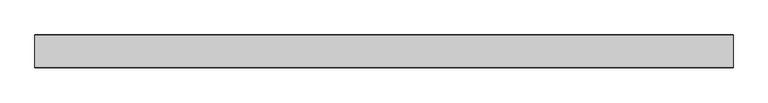
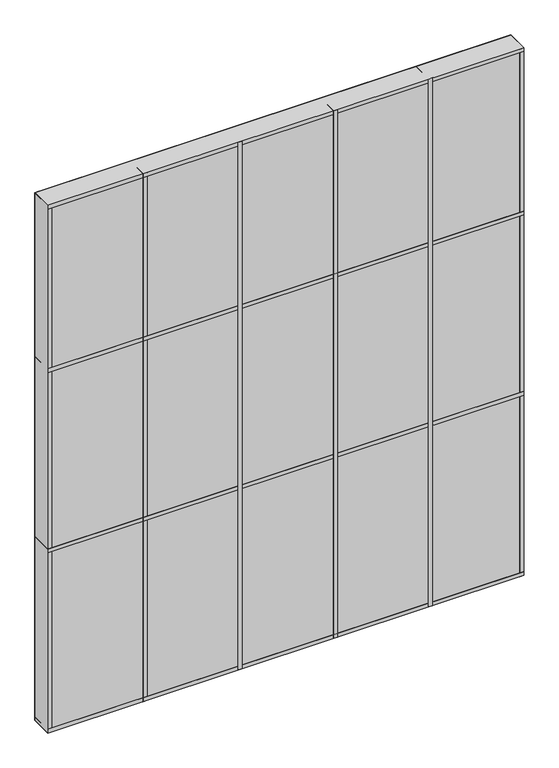
"""IFC4 building model written with IfcOpenShell, lengths in millimetres: plate geometry."""

import ifcopenshell
import ifcopenshell.guid

model = None  # the IFC model being written
_history = None  # IfcOwnerHistory: only IFC2X3 demands one
_inside = {}  # id of a spatial element -> (the spatial element, [elements in it])
_under = {}  # id of a project, library or spatial element -> (it, [spatial elements below it])
_declared = {}  # id of a project -> (the project, [libraries it declares])
_typed = {}  # id of a type object -> (the type object, [elements of that type])
_made_of = {}  # id of a material, layer set ... -> (it, [elements and type objects made of it])


def new_model(schema):
    """Start an empty IFC model of exactly this schema.

    Asked for "IFC4X3", IfcOpenShell would pick the latest addendum, in which some entities
    have other attributes; the version numbers below select the first issue.
    IFC2X3 requires an IfcOwnerHistory on every rooted entity: one is made here for all.
    """
    global model, _history
    if schema == "IFC4X3":
        model = ifcopenshell.file(schema_version=(4, 3, 0, 0))
    else:
        model = ifcopenshell.file(schema=schema)
    _inside.clear()
    _under.clear()
    _declared.clear()
    _typed.clear()
    _made_of.clear()
    _history = None
    if model.schema == "IFC2X3":
        org = make("IfcOrganization", Name="unknown")
        user = make(
            "IfcPersonAndOrganization",
            ThePerson=make("IfcPerson", FamilyName="unknown"),
            TheOrganization=org,
        )
        app = make(
            "IfcApplication",
            ApplicationDeveloper=org,
            Version="unknown",
            ApplicationFullName="unknown",
            ApplicationIdentifier="unknown",
        )
        _history = make(
            "IfcOwnerHistory",
            OwningUser=user,
            OwningApplication=app,
            ChangeAction="ADDED",
            CreationDate=0,
        )
    return model


def make(cls, **values):
    """One entity of the class cls with the attributes given. An attribute that is None is left unset."""
    return model.create_entity(
        cls, **{name: value for name, value in values.items() if value is not None}
    )


def rooted(cls, **values):
    """An entity with a GlobalId (a new one), such as an element, a storey or a relation."""
    return make(cls, GlobalId=ifcopenshell.guid.new(), OwnerHistory=_history, **values)


def si_unit(unit_type, name, prefix=None):
    """IfcSIUnit, for example si_unit("LENGTHUNIT", "METRE", prefix="MILLI")."""
    return make("IfcSIUnit", UnitType=unit_type, Prefix=prefix, Name=name)


def assignment(units):
    """IfcUnitAssignment: the units of a project."""
    return None if units is None else make("IfcUnitAssignment", Units=units)


def point(xyz):
    """IfcCartesianPoint."""
    return None if xyz is None else make("IfcCartesianPoint", Coordinates=xyz)


def direction(xyz):
    """IfcDirection."""
    return None if xyz is None else make("IfcDirection", DirectionRatios=xyz)


def frame(location, z_axis=None, x_axis=None):
    """IfcAxis2Placement3D, a coordinate frame: its origin and axes. An axis left out is left unset."""
    return make(
        "IfcAxis2Placement3D",
        Location=point(location),
        Axis=direction(z_axis),
        RefDirection=direction(x_axis),
    )


def origin():
    """The frame at (0, 0, 0) with its axes left unset."""
    return frame((0.0, 0.0, 0.0))


def origin_with_axes():
    """The frame at (0, 0, 0) with the z axis (0, 0, 1) and the x axis (1, 0, 0) written out."""
    return frame((0.0, 0.0, 0.0), z_axis=(0.0, 0.0, 1.0), x_axis=(1.0, 0.0, 0.0))


def place(relative_to, where):
    """IfcLocalPlacement: puts the frame where relative to a parent placement (None: the world)."""
    return make(
        "IfcLocalPlacement", PlacementRelTo=relative_to, RelativePlacement=where
    )


def context(
    kind, dimensions, precision=None, world=None, true_north=None, identifier=None
):
    """IfcGeometricRepresentationContext, for example the 3D "Model" context."""
    return make(
        "IfcGeometricRepresentationContext",
        ContextIdentifier=identifier,
        ContextType=kind,
        CoordinateSpaceDimension=dimensions,
        Precision=precision,
        WorldCoordinateSystem=world,
        TrueNorth=true_north,
    )


def project(units=None, contexts=None):
    """IfcProject with its units and contexts."""
    return rooted(
        "IfcProject",
        Name="project",
        RepresentationContexts=contexts,
        UnitsInContext=assignment(units),
    )


def spatial(cls, under=None, at=None, **own):
    """A site, building, storey or space (cls), placed at a placement, below another one or the project."""
    s = rooted(cls, ObjectPlacement=at, **own)
    if under is not None:
        _under.setdefault(under.id(), (under, []))[1].append(s)
    return s


def polyline(points):
    """IfcPolyline through the points."""
    return make("IfcPolyline", Points=[point(p) for p in points])


def outline(outer, holes=None, kind="AREA"):
    """IfcArbitraryClosedProfileDef: a profile drawn as a closed curve; with holes, ...WithVoids."""
    if holes is None:
        return make("IfcArbitraryClosedProfileDef", ProfileType=kind, OuterCurve=outer)
    return make(
        "IfcArbitraryProfileDefWithVoids",
        ProfileType=kind,
        OuterCurve=outer,
        InnerCurves=holes,
    )


def extrude(swept, where, along, depth):
    """IfcExtrudedAreaSolid: the profile swept, set in the frame where, extruded along a direction by depth."""
    return make(
        "IfcExtrudedAreaSolid",
        SweptArea=swept,
        Position=where,
        ExtrudedDirection=direction(along),
        Depth=depth,
    )


def shape(context_of_items, identifier, shape_type, items):
    """IfcShapeRepresentation: the items that make up one representation, for example the "Body"."""
    return make(
        "IfcShapeRepresentation",
        ContextOfItems=context_of_items,
        RepresentationIdentifier=identifier,
        RepresentationType=shape_type,
        Items=items,
    )


def source(mapping_origin, context_of_items, identifier, shape_type, items):
    """IfcRepresentationMap: a shape defined once, which mapped items show again and again."""
    return make(
        "IfcRepresentationMap",
        MappingOrigin=mapping_origin,
        MappedRepresentation=shape(context_of_items, identifier, shape_type, items),
    )


def transform(
    local_origin,
    x_axis=None,
    y_axis=None,
    z_axis=None,
    scale=None,
    scale2=None,
    scale3=None,
    uniform=True,
):
    """IfcCartesianTransformationOperator3D, or its non-uniform kind. x_axis, y_axis, z_axis: its Axis1, 2, 3."""
    if uniform:
        return make(
            "IfcCartesianTransformationOperator3D",
            Axis1=direction(x_axis),
            Axis2=direction(y_axis),
            LocalOrigin=point(local_origin),
            Scale=scale,
            Axis3=direction(z_axis),
        )
    return make(
        "IfcCartesianTransformationOperator3DnonUniform",
        Axis1=direction(x_axis),
        Axis2=direction(y_axis),
        LocalOrigin=point(local_origin),
        Scale=scale,
        Axis3=direction(z_axis),
        Scale2=scale2,
        Scale3=scale3,
    )


def mapped(mapping_source, mapping_target):
    """IfcMappedItem: shows the shape of a source again, moved by a transform."""
    return make(
        "IfcMappedItem", MappingSource=mapping_source, MappingTarget=mapping_target
    )


def made_of(thing, what):
    """Note that an element or type object is made of a material, layer set ...; save() writes the relation."""
    if what is not None:
        _made_of.setdefault(what.id(), (what, []))[1].append(thing)
    return thing


def element(
    cls,
    number,
    at=None,
    inside=None,
    cuts=None,
    type_object=None,
    material=None,
    context=None,
    identifier="Body",
    shape_type=None,
    held_by="IfcProductDefinitionShape",
    body=None,
    shapes=None,
    **own,
):
    """One element of the class cls, such as IfcWall. Its Tag is "e" and its number.

    at: its placement. inside: the storey or other place that contains it. cuts: it is an
    opening in that element (IfcRelVoidsElement). A single representation is given by context,
    identifier, shape_type and body (its items); several are given by shapes. held_by: the class
    of the entity that holds the representations. save() writes the other relations.
    """
    e = rooted(cls, Tag="e%d" % number, ObjectPlacement=at, **own)
    if body is not None:
        shapes = [shape(context, identifier, shape_type, body)]
    if shapes is not None:
        e.Representation = make(held_by, Representations=shapes)
    if inside is not None:
        _inside.setdefault(inside.id(), (inside, []))[1].append(e)
    if cuts is not None:
        rooted(
            "IfcRelVoidsElement", RelatingBuildingElement=cuts, RelatedOpeningElement=e
        )
    if type_object is not None:
        _typed.setdefault(type_object.id(), (type_object, []))[1].append(e)
    return made_of(e, material)


def aggregate(whole, parts):
    """IfcRelAggregates: a whole, such as a stair, and the parts it consists of."""
    return rooted("IfcRelAggregates", RelatingObject=whole, RelatedObjects=parts)


def save(model, path):
    """Write the relations noted so far, then the file.

    IfcRelAggregates (storeys below a building ...), IfcRelContainedInSpatialStructure (elements
    in a storey), IfcRelDefinesByType, IfcRelAssociatesMaterial and IfcRelDeclares: one each for
    every whole, place, type object, material and project.
    """
    for whole, parts in _under.values():
        aggregate(whole, parts)
    for where, things in _inside.values():
        rooted(
            "IfcRelContainedInSpatialStructure",
            RelatedElements=things,
            RelatingStructure=where,
        )
    for kind, things in _typed.values():
        rooted("IfcRelDefinesByType", RelatedObjects=things, RelatingType=kind)
    for what, things in _made_of.values():
        rooted("IfcRelAssociatesMaterial", RelatedObjects=things, RelatingMaterial=what)
    for by, libraries in _declared.values():
        rooted("IfcRelDeclares", RelatingContext=by, RelatedDefinitions=libraries)
    model.write(path)


def plate_5a19bec1(model_context):
    return source(origin(), model_context, "Body", "SweptSolid", [
        extrude(outline(polyline([(762.0, 34.925), (762.0, -34.925), (-762.0, -34.925), (-762.0, 34.925), (762.0, 34.925)])), origin_with_axes(), (0.0, 0.0, 1.0), 1784.35),
        extrude(outline(polyline([(469.9, 35.71875), (469.9, -35.71875), (457.2, -35.71875), (457.2, 35.71875), (469.9, 35.71875)])), origin_with_axes(), (0.0, 0.0, 1.0), 1784.35),
        extrude(outline(polyline([(165.1, 35.71875), (165.1, -35.71875), (152.4, -35.71875), (152.4, 35.71875), (165.1, 35.71875)])), origin_with_axes(), (0.0, 0.0, 1.0), 1784.35),
        extrude(outline(polyline([(-139.7, 35.71875), (-139.7, -35.71875), (-152.4, -35.71875), (-152.4, 35.71875), (-139.7, 35.71875)])), origin_with_axes(), (0.0, 0.0, 1.0), 1784.35),
        extrude(outline(polyline([(762.0, 35.71875), (762.0, -35.71875), (-762.0, -35.71875), (-762.0, 35.71875), (762.0, 35.71875)])), frame((0.0, 0.0, 1219.2), z_axis=(0.0, 0.0, 1.0), x_axis=(1.0, 0.0, 0.0)), (0.0, 0.0, 1.0), 12.7),
        extrude(outline(polyline([(762.0, 35.71875), (762.0, -35.71875), (-762.0, -35.71875), (-762.0, 35.71875), (762.0, 35.71875)])), frame((0.0, 0.0, 1771.65), z_axis=(0.0, 0.0, 1.0), x_axis=(1.0, 0.0, 0.0)), (0.0, 0.0, 1.0), 12.7),
        extrude(outline(polyline([(762.0, 35.71875), (762.0, -35.71875), (-762.0, -35.71875), (-762.0, 35.71875), (762.0, 35.71875)])), frame((0.0, 0.0, 609.6), z_axis=(0.0, 0.0, 1.0), x_axis=(1.0, 0.0, 0.0)), (0.0, 0.0, 1.0), 12.7),
        extrude(outline(polyline([(762.0, 35.71875), (762.0, -35.71875), (-762.0, -35.71875), (-762.0, 35.71875), (762.0, 35.71875)])), origin_with_axes(), (0.0, 0.0, 1.0), 12.7),
        extrude(outline(polyline([(-444.5, 35.71875), (-444.5, -35.71875), (-457.2, -35.71875), (-457.2, 35.71875), (-444.5, 35.71875)])), origin_with_axes(), (0.0, 0.0, 1.0), 1784.35),
        extrude(outline(polyline([(762.0, 35.71875), (762.0, -35.71875), (749.3, -35.71875), (749.3, 35.71875), (762.0, 35.71875)])), origin_with_axes(), (0.0, 0.0, 1.0), 1784.35),
        extrude(outline(polyline([(-749.3, 35.71875), (-749.3, -35.71875), (-762.0, -35.71875), (-762.0, 35.71875), (-749.3, 35.71875)])), origin_with_axes(), (0.0, 0.0, 1.0), 1784.35),
    ])


if __name__ == "__main__":
    model = new_model("IFC4")
    model_context = context("Model", 3, world=origin())
    ifc_project = project(units=[si_unit("LENGTHUNIT", "METRE", prefix="MILLI")], contexts=[model_context])
    site = spatial("IfcSite", under=ifc_project)
    building = spatial("IfcBuilding", under=site)
    placement = place(None, origin())
    plate_shape = plate_5a19bec1(model_context)
    element("IfcPlate", 1, at=placement, inside=building, context=model_context, shape_type="MappedRepresentation", body=[
        mapped(plate_shape, transform((0.0, 0.0, 0.0), x_axis=(1.0, 0.0, 0.0), y_axis=(0.0, 1.0, 0.0), z_axis=(0.0, 0.0, 1.0))),
    ])
    save(model, "model.ifc")
